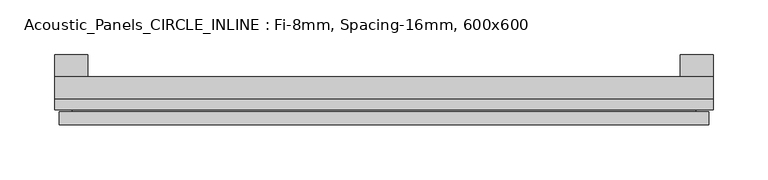
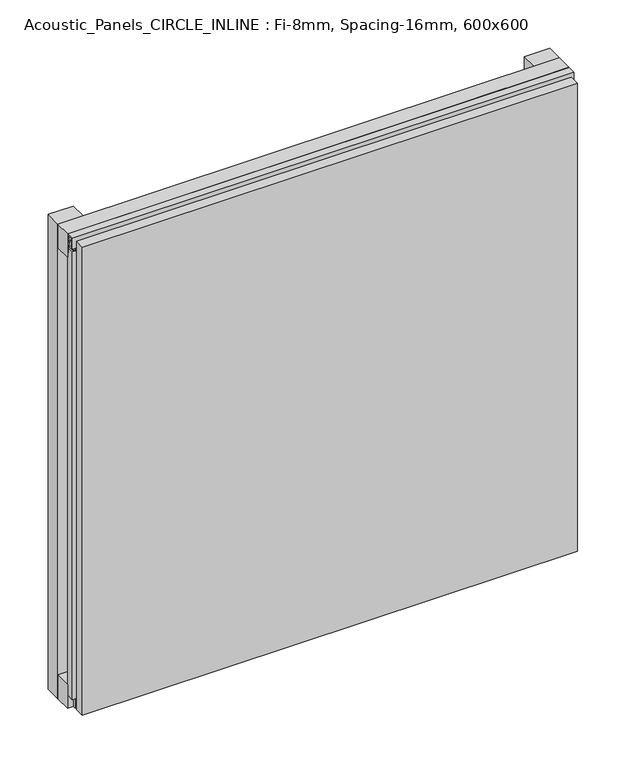
"""IFC4 building model written with IfcOpenShell, lengths in millimetres: plate geometry, Acoustic_Panels_CIRCLE_INLINE : Fi-8mm, Spacing-16mm, 600x600."""

from ifc_helpers import new_model, si_unit, frame, origin, origin_with_axes, place, context, project, spatial, polyline, outline, extrude, faceted_brep, source, transform, mapped, element, save


def acoustic_panels_circle_inline_fi_8mm_spacing_16mm_600x600_6a661b1b(model_context):
    return source(origin(), model_context, "Body", "SolidModel", [
        extrude(outline(polyline([(-300.0, -40.0), (-300.0, -20.0), (300.0, -20.0), (300.0, -40.0), (-300.0, -40.0)])), frame((0.0, 0.0, 570.0), z_axis=(0.0, 0.0, 1.0), x_axis=(1.0, 0.0, 0.0)), (0.0, 0.0, 1.0), 30.0),
        extrude(outline(polyline([(-300.0, -40.0), (-300.0, -20.0), (300.0, -20.0), (300.0, -40.0), (-300.0, -40.0)])), origin_with_axes(), (0.0, 0.0, 1.0), 30.0),
        extrude(outline(polyline([(270.0, 0.0), (300.0, 0.0), (300.0, -20.0), (270.0, -20.0), (270.0, 0.0)])), origin_with_axes(), (0.0, 0.0, 1.0), 600.0),
        extrude(outline(polyline([(-270.0, 0.0), (-270.0, -20.0), (-300.0, -20.0), (-300.0, 0.0), (-270.0, 0.0)])), origin_with_axes(), (0.0, 0.0, 1.0), 600.0),
        extrude(outline(polyline([(-40.0, 593.700916), (-43.5, 593.700916), (-40.0553267, 584.6441401), (-40.0553267, 577.008452), (-41.4553267, 577.008452), (-41.4553267, 584.4296606), (-45.5140545, 595.100916), (-41.4, 595.100916), (-41.4, 598.5843193), (-48.7, 598.5843193), (-48.7, 586.5843193), (-50.1, 586.5843193), (-50.1, 600.0), (-40.0, 600.0), (-40.0, 593.700916)])), frame((-300.0, 0.0, 0.0), z_axis=(1.0, 0.0, 0.0), x_axis=(0.0, 1.0, 0.0)), (0.0, 0.0, 1.0), 600.0),
        extrude(outline(polyline([(-293.700916, -40.0), (-293.700916, -43.5), (-284.6441401, -40.0553267), (-277.008452, -40.0553267), (-277.008452, -41.4553267), (-284.4296606, -41.4553267), (-295.100916, -45.5140545), (-295.100916, -41.4), (-298.5843193, -41.4), (-298.5843193, -48.7), (-286.5843193, -48.7), (-286.5843193, -50.1), (-300.0, -50.1), (-300.0, -40.0), (-293.700916, -40.0)])), frame((0.0, 0.0, 16.9558599), z_axis=(0.0, 0.0, 1.0), x_axis=(1.0, 0.0, 0.0)), (0.0, 0.0, 1.0), 566.0882802),
        faceted_brep([(296.0, -45.9, 596.0), (-296.0, -45.9, 596.0), (-296.0, -48.7, 596.0), (296.0, -48.7, 596.0), (-296.0, -63.9, 596.0), (296.0, -63.9, 596.0), (296.0, -51.9, 596.0), (-296.0, -51.9, 596.0), (-296.0, -45.9, 4.0), (296.0, -45.9, 4.0), (296.0, -48.7, 4.0), (-296.0, -48.7, 4.0), (296.0, -63.9, 4.0), (-296.0, -63.9, 4.0), (-296.0, -51.9, 4.0), (296.0, -51.9, 4.0), (284.0, -51.9, 584.0), (284.0, -51.9, 16.0), (284.0, -48.7, 16.0), (284.0, -48.7, 584.0), (-284.0, -51.9, 16.0), (-284.0, -48.7, 16.0), (-284.0, -51.9, 584.0), (-284.0, -48.7, 584.0)], [[[0, 1, 2, 3]], [[4, 5, 6, 7]], [[8, 9, 10, 11]], [[12, 13, 14, 15]], [[1, 0, 9, 8]], [[1, 8, 11, 2]], [[13, 4, 7, 14]], [[5, 4, 13, 12]], [[9, 0, 3, 10]], [[5, 12, 15, 6]], [[16, 17, 18, 19]], [[18, 17, 20, 21]], [[21, 20, 22, 23]], [[16, 19, 23, 22]], [[7, 6, 15, 14], [17, 16, 22, 20]], [[3, 2, 11, 10], [19, 18, 21, 23]]]),
    ])


if __name__ == "__main__":
    model = new_model("IFC4")
    model_context = context("Model", 3, world=origin())
    ifc_project = project(units=[si_unit("LENGTHUNIT", "METRE", prefix="MILLI")], contexts=[model_context])
    site = spatial("IfcSite", under=ifc_project)
    building = spatial("IfcBuilding", under=site)
    placement = place(None, origin())
    acoustic_panels_circle_inline_fi_8mm_spacing_16mm_600x600_shape = acoustic_panels_circle_inline_fi_8mm_spacing_16mm_600x600_6a661b1b(model_context)
    element("IfcPlate", 1, ObjectType="Acoustic_Panels_CIRCLE_INLINE : Fi-8mm, Spacing-16mm, 600x600", at=placement, inside=building, context=model_context, shape_type="MappedRepresentation", body=[
        mapped(acoustic_panels_circle_inline_fi_8mm_spacing_16mm_600x600_shape, transform((0.0, 0.0, 0.0), x_axis=(1.0, 0.0, 0.0), y_axis=(0.0, 1.0, 0.0), z_axis=(0.0, 0.0, 1.0))),
    ])
    save(model, "model.ifc")
